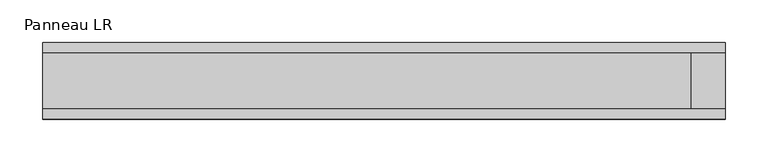
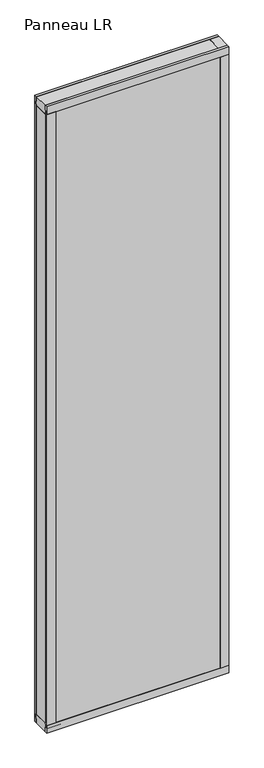
"""IFC4 building model written with IfcOpenShell, lengths in millimetres: plate geometry, Panneau LR."""

from ifc_helpers import new_model, si_unit, frame, origin, origin_with_axes, place, context, project, spatial, polyline, outline, extrude, source, transform, mapped, element, save


def panneau_lr_da311e85(model_context):
    return source(origin(), model_context, "Body", "SweptSolid", [
        extrude(outline(polyline([(33.0, 2910.0), (45.0, 2910.0), (45.0, 2875.0), (43.8, 2875.0), (43.8, 2890.0), (33.0, 2890.0), (33.0, 2910.0)])), frame((-400.3847577, 0.0, 0.0), z_axis=(1.0, 0.0, 0.0), x_axis=(0.0, 1.0, 0.0)), (0.0, 0.0, 1.0), 800.7695155),
        extrude(outline(polyline([(-45.0, 2875.0), (-45.0, 2910.0), (-33.0, 2910.0), (-33.0, 2890.0), (-43.8, 2890.0), (-43.8, 2875.0), (-45.0, 2875.0)])), frame((-400.3847577, 0.0, 0.0), z_axis=(1.0, 0.0, 0.0), x_axis=(0.0, 1.0, 0.0)), (0.0, 0.0, 1.0), 800.7695155),
        extrude(outline(polyline([(400.3847577, 33.0), (400.3847577, -33.0), (360.3847577, -33.0), (360.3847577, 33.0), (400.3847577, 33.0)])), frame((0.0, 0.0, 40.0), z_axis=(0.0, 0.0, 1.0), x_axis=(1.0, 0.0, 0.0)), (0.0, 0.0, 1.0), 2870.0),
        extrude(outline(polyline([(-360.3847577, 33.0), (-360.3847577, -33.0), (-400.3847577, -33.0), (-400.3847577, 33.0), (-360.3847577, 33.0)])), frame((0.0, 0.0, 40.0), z_axis=(0.0, 0.0, 1.0), x_axis=(1.0, 0.0, 0.0)), (0.0, 0.0, 1.0), 2830.0),
        extrude(outline(polyline([(361.7847578, 43.8), (361.7847578, 45.0), (400.3847577, 45.0), (400.3847577, 33.0), (376.7847578, 33.0), (376.7847578, 43.8), (361.7847578, 43.8)])), frame((0.0, 0.0, 35.0), z_axis=(0.0, 0.0, 1.0), x_axis=(1.0, 0.0, 0.0)), (0.0, 0.0, 1.0), 2840.0),
        extrude(outline(polyline([(361.7847578, -45.0), (361.7847578, -43.8), (376.7847578, -43.8), (376.7847578, -33.0), (400.3847577, -33.0), (400.3847577, -45.0), (361.7847578, -45.0)])), frame((0.0, 0.0, 35.0), z_axis=(0.0, 0.0, 1.0), x_axis=(1.0, 0.0, 0.0)), (0.0, 0.0, 1.0), 2840.0),
        extrude(outline(polyline([(-400.3847577, 45.0), (-361.7847577, 45.0), (-361.7847577, 43.8), (-376.7847577, 43.8), (-376.7847577, 33.0), (-400.3847577, 33.0), (-400.3847577, 45.0)])), frame((0.0, 0.0, 35.0), z_axis=(0.0, 0.0, 1.0), x_axis=(1.0, 0.0, 0.0)), (0.0, 0.0, 1.0), 2840.0),
        extrude(outline(polyline([(-400.3847577, -45.0), (-400.3847577, -33.0), (-376.7847577, -33.0), (-376.7847577, -43.8), (-361.7847577, -43.8), (-361.7847577, -45.0), (-400.3847577, -45.0)])), frame((0.0, 0.0, 35.0), z_axis=(0.0, 0.0, 1.0), x_axis=(1.0, 0.0, 0.0)), (0.0, 0.0, 1.0), 2840.0),
        extrude(outline(polyline([(33.0, 0.0), (33.0, 20.0), (43.8, 20.0), (43.8, 35.0), (45.0, 35.0), (45.0, 0.0), (33.0, 0.0)])), frame((-400.3847577, 0.0, 0.0), z_axis=(1.0, 0.0, 0.0), x_axis=(0.0, 1.0, 0.0)), (0.0, 0.0, 1.0), 800.7695155),
        extrude(outline(polyline([(-45.0, 35.0), (-43.8, 35.0), (-43.8, 20.0), (-33.0, 20.0), (-33.0, 0.0), (-45.0, 0.0), (-45.0, 35.0)])), frame((-400.3847577, 0.0, 0.0), z_axis=(1.0, 0.0, 0.0), x_axis=(0.0, 1.0, 0.0)), (0.0, 0.0, 1.0), 800.7695155),
        extrude(outline(polyline([(400.3847577, -33.0), (-400.3847577, -33.0), (-400.3847577, 33.0), (400.3847577, 33.0), (400.3847577, -33.0)])), frame((0.0, 0.0, 2870.0), z_axis=(0.0, 0.0, 1.0), x_axis=(1.0, 0.0, 0.0)), (0.0, 0.0, 1.0), 40.0),
        extrude(outline(polyline([(400.3847577, -33.0), (-400.3847577, -33.0), (-400.3847577, 33.0), (400.3847577, 33.0), (400.3847577, -33.0)])), origin_with_axes(), (0.0, 0.0, 1.0), 40.0),
        extrude(outline(polyline([(392.3847577, 37.8), (-392.3847577, 37.8), (-392.3847577, 43.8), (392.3847577, 43.8), (392.3847577, 37.8)])), frame((0.0, 0.0, 20.0), z_axis=(0.0, 0.0, 1.0), x_axis=(1.0, 0.0, 0.0)), (0.0, 0.0, 1.0), 2870.0),
        extrude(outline(polyline([(-392.3847577, -43.8), (-392.3847577, -37.8), (392.3847577, -37.8), (392.3847577, -43.8), (-392.3847577, -43.8)])), frame((0.0, 0.0, 20.0), z_axis=(0.0, 0.0, 1.0), x_axis=(1.0, 0.0, 0.0)), (0.0, 0.0, 1.0), 2870.0),
    ])


if __name__ == "__main__":
    model = new_model("IFC4")
    model_context = context("Model", 3, world=origin())
    ifc_project = project(units=[si_unit("LENGTHUNIT", "METRE", prefix="MILLI")], contexts=[model_context])
    site = spatial("IfcSite", under=ifc_project)
    building = spatial("IfcBuilding", under=site)
    placement = place(None, origin())
    panneau_lr_shape = panneau_lr_da311e85(model_context)
    element("IfcPlate", 1, ObjectType="Panneau LR", at=placement, inside=building, context=model_context, shape_type="MappedRepresentation", body=[
        mapped(panneau_lr_shape, transform((0.0, 0.0, 0.0), x_axis=(1.0, 0.0, 0.0), y_axis=(0.0, 1.0, 0.0), z_axis=(0.0, 0.0, 1.0))),
    ])
    save(model, "model.ifc")
